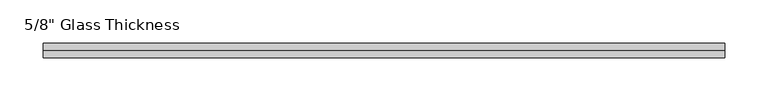
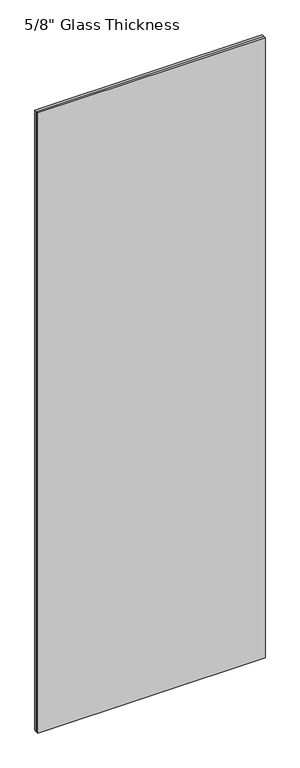
"""IFC4 building model written with IfcOpenShell, lengths in millimetres: plate geometry."""

from ifc_helpers import new_model, si_unit, origin, origin_with_axes, place, context, project, spatial, polyline, outline, extrude, source, transform, mapped, element, save


def plate_9b6ef816(model_context):
    return source(origin(), model_context, "Body", "SweptSolid", [
        extrude(outline(polyline([(393.0, 8.76), (-393.0, 8.76), (-393.0, 16.76), (393.0, 16.76), (393.0, 8.76)])), origin_with_axes(), (0.0, 0.0, 1.0), 2267.0),
        extrude(outline(polyline([(393.0, 0.0), (-393.0, 0.0), (-393.0, 8.0), (393.0, 8.0), (393.0, 0.0)])), origin_with_axes(), (0.0, 0.0, 1.0), 2267.0),
    ])


if __name__ == "__main__":
    model = new_model("IFC4")
    model_context = context("Model", 3, world=origin())
    ifc_project = project(units=[si_unit("LENGTHUNIT", "METRE", prefix="MILLI")], contexts=[model_context])
    site = spatial("IfcSite", under=ifc_project)
    building = spatial("IfcBuilding", under=site)
    placement = place(None, origin())
    plate_shape = plate_9b6ef816(model_context)
    element("IfcPlate", 1, ObjectType="5/8\" Glass Thickness", at=placement, inside=building, context=model_context, shape_type="MappedRepresentation", body=[
        mapped(plate_shape, transform((0.0, 0.0, 0.0), x_axis=(1.0, 0.0, 0.0), y_axis=(0.0, 1.0, 0.0), z_axis=(0.0, 0.0, 1.0))),
    ])
    save(model, "model.ifc")
